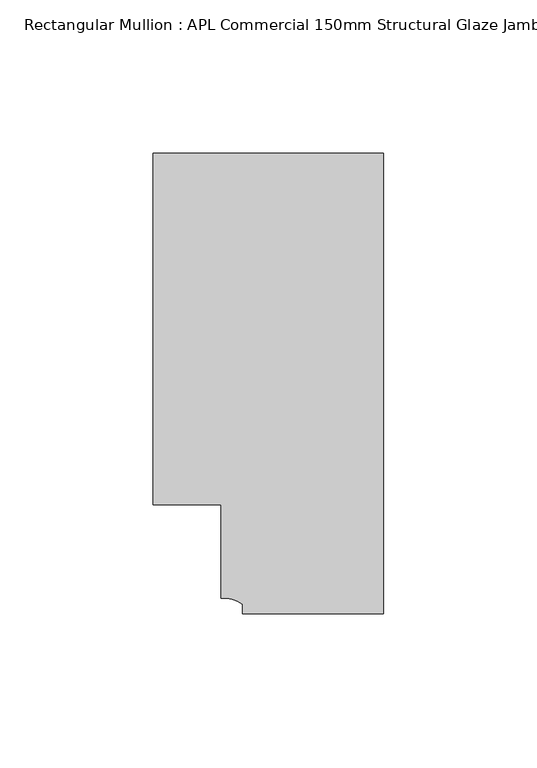
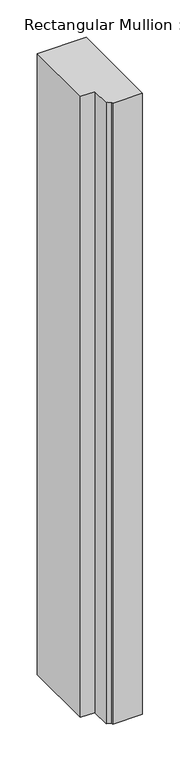
"""IFC4 building model written with IfcOpenShell, lengths in millimetres: member geometry, Rectangular Mullion : APL Commercial 150mm Structural Glaze Jamb Frame (right)."""

from ifc_helpers import new_model, si_unit, point, frame, frame_2d, origin, place, context, project, spatial, polyline, circle_curve, trimmed, segment, composite_curve, outline, extrude, source, transform, mapped, element, save


def rectangular_mullion_apl_commercial_150mm_structural_glaze_7b4b214c(model_context):
    return source(origin(), model_context, "Body", "SweptSolid", [
        extrude(outline(composite_curve([segment(polyline([(0.0, -20.5), (-46.0, -20.5), (-46.0, -17.3125212)]), True, "CONTINUOUS"), segment(trimmed(circle_curve(frame_2d((-52.1098019, -25.7981812)), 10.4563907), [point((-46.0, -17.3125212))], [point((-52.9999391, -15.3797475))], True, "CARTESIAN"), True, "CONTINUOUS"), segment(polyline([(-52.9999391, -15.3797475), (-52.9999391, 15.0000829), (-75.0, 15.0000829), (-75.0, 129.4999988), (0.0, 129.4999988), (0.0, -20.5)]), True, "CONTINUOUS")], self_intersect=False)), frame((0.0, 0.0, -1010.8198717), z_axis=(0.0, 0.0, 1.0), x_axis=(1.0, 0.0, 0.0)), (0.0, 0.0, 1.0), 1010.8198717),
    ])


if __name__ == "__main__":
    model = new_model("IFC4")
    model_context = context("Model", 3, world=origin())
    ifc_project = project(units=[si_unit("LENGTHUNIT", "METRE", prefix="MILLI")], contexts=[model_context])
    site = spatial("IfcSite", under=ifc_project)
    building = spatial("IfcBuilding", under=site)
    placement = place(None, origin())
    rectangular_mullion_apl_commercial_150mm_structural_glaze_shape = rectangular_mullion_apl_commercial_150mm_structural_glaze_7b4b214c(model_context)
    element("IfcMember", 1, ObjectType="Rectangular Mullion : APL Commercial 150mm Structural Glaze Jamb Frame (right)", at=placement, inside=building, context=model_context, shape_type="MappedRepresentation", body=[
        mapped(rectangular_mullion_apl_commercial_150mm_structural_glaze_shape, transform((0.0, 0.0, 0.0), x_axis=(1.0, 0.0, 0.0), y_axis=(0.0, 1.0, 0.0), z_axis=(0.0, 0.0, 1.0))),
    ])
    save(model, "model.ifc")
